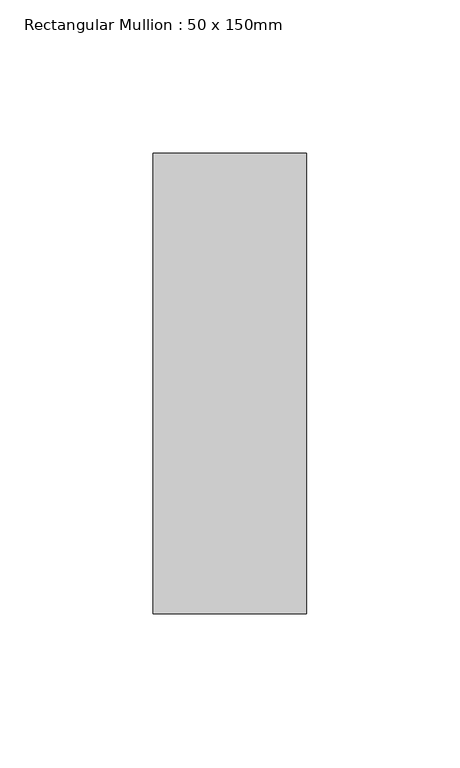
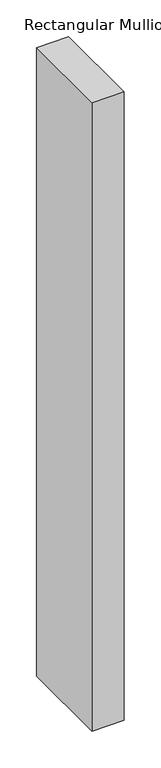
"""IFC4 building model written with IfcOpenShell, lengths in millimetres: member geometry, Rectangular Mullion : 50 x 150mm."""

from ifc_helpers import new_model, si_unit, frame, origin, place, context, project, spatial, polyline, outline, extrude, source, transform, mapped, element, save


def rectangular_mullion_50_x_150mm_21a1e1af(model_context):
    return source(origin(), model_context, "Body", "SweptSolid", [
        extrude(outline(polyline([(0.0, 75.0), (0.0, -75.0), (-50.0, -75.0), (-50.0, 75.0), (0.0, 75.0)])), frame((0.0, 0.0, -1039.3333333), z_axis=(0.0, 0.0, 1.0), x_axis=(1.0, 0.0, 0.0)), (0.0, 0.0, 1.0), 1039.3333333),
    ])


if __name__ == "__main__":
    model = new_model("IFC4")
    model_context = context("Model", 3, world=origin())
    ifc_project = project(units=[si_unit("LENGTHUNIT", "METRE", prefix="MILLI")], contexts=[model_context])
    site = spatial("IfcSite", under=ifc_project)
    building = spatial("IfcBuilding", under=site)
    placement = place(None, origin())
    rectangular_mullion_50_x_150mm_shape = rectangular_mullion_50_x_150mm_21a1e1af(model_context)
    element("IfcMember", 1, ObjectType="Rectangular Mullion : 50 x 150mm", at=placement, inside=building, context=model_context, shape_type="MappedRepresentation", body=[
        mapped(rectangular_mullion_50_x_150mm_shape, transform((0.0, 0.0, 0.0), x_axis=(1.0, 0.0, 0.0), y_axis=(0.0, 1.0, 0.0), z_axis=(0.0, 0.0, 1.0))),
    ])
    save(model, "model.ifc")
